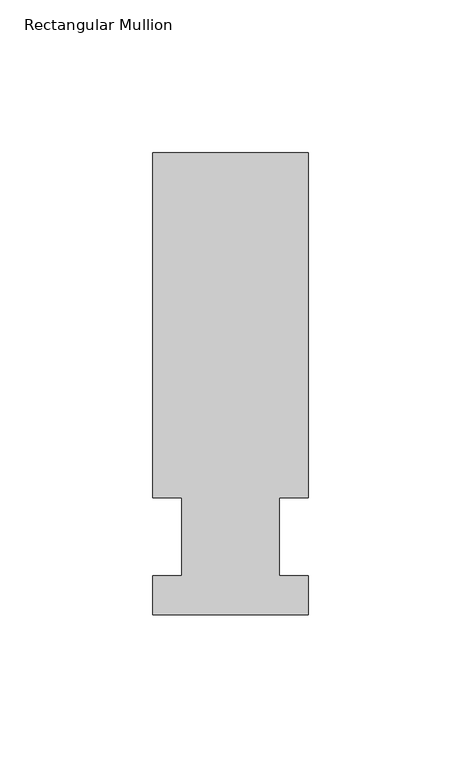
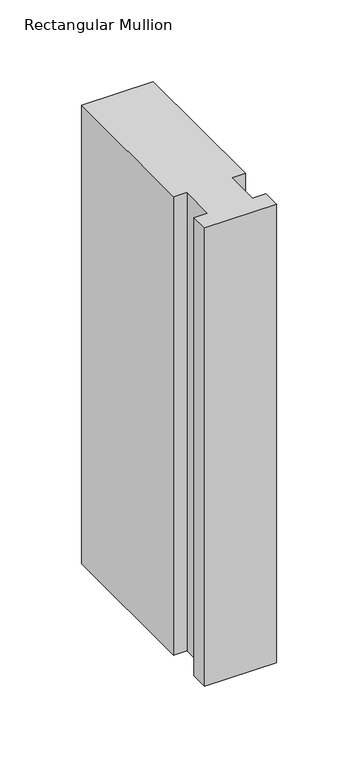
"""IFC4 building model written with IfcOpenShell, lengths in millimetres: member geometry, Rectangular Mullion."""

from ifc_helpers import new_model, si_unit, frame, origin, place, context, project, spatial, polyline, outline, extrude, source, transform, mapped, element, save


def rectangular_mullion_dde771ad(model_context):
    return source(origin(), model_context, "Body", "SweptSolid", [
        extrude(outline(polyline([(-25.4, -25.58415), (-25.4, -12.7), (-15.875, -12.7), (-15.875, 12.7), (-25.4, 12.7), (-25.4, 125.59665), (25.4, 125.59665), (25.4, 12.7), (15.875, 12.7), (15.875, -12.7), (25.4, -12.7), (25.4, -25.58415), (-25.4, -25.58415)])), frame((0.0, 0.0, -342.9), z_axis=(0.0, 0.0, 1.0), x_axis=(1.0, 0.0, 0.0)), (0.0, 0.0, 1.0), 342.9),
    ])


if __name__ == "__main__":
    model = new_model("IFC4")
    model_context = context("Model", 3, world=origin())
    ifc_project = project(units=[si_unit("LENGTHUNIT", "METRE", prefix="MILLI")], contexts=[model_context])
    site = spatial("IfcSite", under=ifc_project)
    building = spatial("IfcBuilding", under=site)
    placement = place(None, origin())
    rectangular_mullion_shape = rectangular_mullion_dde771ad(model_context)
    element("IfcMember", 1, ObjectType="Rectangular Mullion", at=placement, inside=building, context=model_context, shape_type="MappedRepresentation", body=[
        mapped(rectangular_mullion_shape, transform((0.0, 0.0, 0.0), x_axis=(1.0, 0.0, 0.0), y_axis=(0.0, 1.0, 0.0), z_axis=(0.0, 0.0, 1.0))),
    ])
    save(model, "model.ifc")
